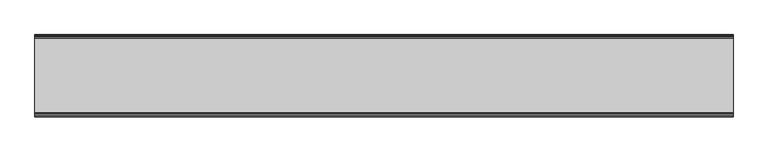
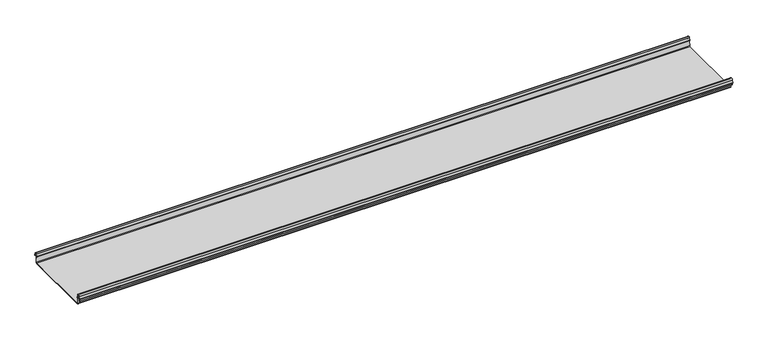
"""IFC4 building model written with IfcOpenShell, lengths in millimetres: beam geometry."""

from ifc_helpers import new_model, si_unit, frame, origin, place, context, project, spatial, polyline, circle_curve, source, transform, mapped, element, save
from ifc_brep_helpers import plane_surface, cylinder_surface, revolved_surface, advanced_brep


def beam_7e0957df(model_context):
    return source(origin(), model_context, "Body", "AdvancedBrep", [
        advanced_brep(
        [(1500.0, 174.5298471, 17.4730576), (1500.0, 169.9958217, 21.2486363), (1500.0, 165.4890072, 17.6093124), (1500.0, 163.0420077, 6.2503755), (1500.0, 164.7006671, 3.7959761), (1500.0, 165.8698319, 2.0849359), (1500.0, 164.3793103, -21.3247551), (1500.0, 160.6848586, -24.7896475), (1500.0, -159.5640942, -24.7896475), (1500.0, -163.2568715, -21.3207217), (1500.0, -164.7263748, 2.1632779), (1500.0, -164.0984471, 3.0966958), (1500.0, -161.8868093, 6.1624874), (1500.0, -162.770348, 17.3389905), (1500.0, -170.0, 24.0196704), (1500.0, -177.229652, 17.3389905), (1500.0, -178.1131907, 6.1624874), (1500.0, -175.9015529, 3.0966958), (1500.0, -175.2736252, 2.1632779), (1500.0, -175.6653397, -4.0966758), (1500.0, -174.6633838, -4.0966758), (1500.0, -174.255975, 2.4140875), (1500.0, -175.661391, 4.0675496), (1500.0, -177.1158116, 6.08368), (1500.0, -176.2261211, 17.3379999), (1500.0, -170.0, 23.0196704), (1500.0, -163.767144, 17.2589936), (1500.0, -162.8795452, 6.0037927), (1500.0, -164.338609, 4.0675496), (1500.0, -165.744025, 2.4140875), (1500.0, -164.2549195, -21.3831743), (1500.0, -159.5640942, -25.7896475), (1500.0, 160.6846135, -25.7896475), (1500.0, 165.3772895, -21.3882975), (1500.0, 166.868024, 2.0247376), (1500.0, 164.9644432, 4.7613501), (1500.0, 164.0277999, 6.0779003), (1500.0, 166.4434849, 17.2822335), (1500.0, 170.0063307, 20.2496221), (1500.0, 173.4803249, 17.6539317), (1500.0, 175.5075757, 6.5459412), (1500.0, 176.5074356, 6.7299959), (-1500.0, 174.5298471, 17.4730576), (-1500.0, 176.5074356, 6.7299959), (-1500.0, 175.5075757, 6.5459412), (-1500.0, 173.4803249, 17.6539317), (-1500.0, 170.0063307, 20.2496221), (-1500.0, 166.4434849, 17.2822335), (-1500.0, 164.0277999, 6.0779003), (-1500.0, 164.9644432, 4.7613501), (-1500.0, 166.868024, 2.0247376), (-1500.0, 165.3772895, -21.3882975), (-1500.0, 160.6846135, -25.7896475), (-1500.0, -159.5640942, -25.7896475), (-1500.0, -164.2549195, -21.3831743), (-1500.0, -165.744025, 2.4140875), (-1500.0, -164.338609, 4.0675496), (-1500.0, -162.8795452, 6.0037927), (-1500.0, -163.767144, 17.2589936), (-1500.0, -170.0, 23.0196704), (-1500.0, -176.2261211, 17.3379999), (-1500.0, -177.1158116, 6.08368), (-1500.0, -175.661391, 4.0675496), (-1500.0, -174.255975, 2.4140875), (-1500.0, -174.6633838, -4.0966758), (-1500.0, -175.6653397, -4.0966758), (-1500.0, -175.2736252, 2.1632779), (-1500.0, -175.9015529, 3.0966958), (-1500.0, -178.1066021, 6.2458324), (-1500.0, -177.229652, 17.3389905), (-1500.0, -170.0, 24.0196704), (-1500.0, -162.770348, 17.3389905), (-1500.0, -161.8868093, 6.1624874), (-1500.0, -164.0984471, 3.0966958), (-1500.0, -164.7263748, 2.1632779), (-1500.0, -163.2568715, -21.3207217), (-1500.0, -159.5640942, -24.7896475), (-1500.0, 160.6848586, -24.7896475), (-1500.0, 164.3793103, -21.3247551), (-1500.0, 165.8698319, 2.0849359), (-1500.0, 164.7006671, 3.7959761), (-1500.0, 163.0420077, 6.2503755), (-1500.0, 165.4890072, 17.6093124), (-1500.0, 169.9958217, 21.2486363)],
        [
            (0, 1, circle_curve(frame((1500.0, 169.9958217, 16.6384317), z_axis=(1.0, 0.0, 0.0), x_axis=(0.0, -1.0, 0.0)), 4.6102046)),
            (1, 2, circle_curve(frame((1500.0, 169.9958217, 16.6384317), z_axis=(1.0, 0.0, 0.0), x_axis=(0.0, -1.0, 0.0)), 4.6102046)),
            (2, 3),
            (3, 4, circle_curve(frame((1500.0, 165.4262002, 6.073937), z_axis=(1.0, 0.0, 0.0), x_axis=(0.0, -1.0, 0.0)), 2.3907121)),
            (4, 5, circle_curve(frame((1500.0, 164.1897695, 2.1919074), z_axis=(-1.0, 0.0, 0.0), x_axis=(0.0, -1.0, 0.0)), 1.6834645)),
            (5, 6),
            (6, 7, circle_curve(frame((1500.0, 160.6867875, -21.089648), z_axis=(-1.0, 0.0, 0.0), x_axis=(0.0, -1.0, 0.0)), 3.7)),
            (7, 8),
            (8, 9, circle_curve(frame((1500.0, -159.5640942, -21.0896475), z_axis=(-1.0, 0.0, 0.0), x_axis=(0.0, -1.0, 0.0)), 3.7)),
            (9, 10),
            (10, 11, circle_curve(frame((1500.0, -163.8044049, 2.2209698), z_axis=(-1.0, 0.0, 0.0), x_axis=(0.0, -1.0, 0.0)), 0.9237732)),
            (11, 12, circle_curve(frame((1500.0, -164.7984694, 5.9323112), z_axis=(1.0, 0.0, 0.0), x_axis=(0.0, -1.0, 0.0)), 2.9207441)),
            (12, 13),
            (13, 14, circle_curve(frame((1500.0, -170.0, 16.7674631), z_axis=(1.0, 0.0, 0.0), x_axis=(0.0, -1.0, 0.0)), 7.2522073)),
            (14, 15, circle_curve(frame((1500.0, -170.0, 16.7674631), z_axis=(1.0, 0.0, 0.0), x_axis=(0.0, -1.0, 0.0)), 7.2522073)),
            (15, 16),
            (16, 17, circle_curve(frame((1500.0, -175.2001089, 5.9344165), z_axis=(1.0, 0.0, 0.0), x_axis=(0.0, -1.0, 0.0)), 2.9231288)),
            (17, 18, circle_curve(frame((1500.0, -176.1025472, 2.2835649), z_axis=(-1.0, 0.0, 0.0), x_axis=(0.0, -1.0, 0.0)), 0.8376041)),
            (18, 19),
            (19, 20, circle_curve(frame((1500.0, -175.1643617, -4.0966758), z_axis=(1.0, 0.0, 0.0), x_axis=(0.0, -1.0, 0.0)), 0.5009779)),
            (20, 21),
            (21, 22, circle_curve(frame((1500.0, -176.1062911, 2.2653702), z_axis=(1.0, 0.0, 0.0), x_axis=(0.0, -1.0, 0.0)), 1.856283)),
            (22, 23, circle_curve(frame((1500.0, -175.2010412, 5.9323112), z_axis=(-1.0, 0.0, 0.0), x_axis=(0.0, -1.0, 0.0)), 1.9207441)),
            (23, 24),
            (24, 25, circle_curve(frame((1500.0, -170.0770494, 16.8518958), z_axis=(-1.0, 0.0, 0.0), x_axis=(0.0, -1.0, 0.0)), 6.1682558)),
            (25, 26, circle_curve(frame((1500.0, -170.0791743, 16.6817991), z_axis=(-1.0, 0.0, 0.0), x_axis=(0.0, -1.0, 0.0)), 6.3383658)),
            (26, 27),
            (27, 28, circle_curve(frame((1500.0, -164.70299, 5.8599936), z_axis=(-1.0, 0.0, 0.0), x_axis=(0.0, -1.0, 0.0)), 1.8291061)),
            (28, 29, circle_curve(frame((1500.0, -163.9886548, 2.3460727), z_axis=(1.0, 0.0, 0.0), x_axis=(0.0, -1.0, 0.0)), 1.7566874)),
            (29, 30),
            (30, 31, circle_curve(frame((1500.0, -159.5640942, -21.0896475), z_axis=(1.0, 0.0, 0.0), x_axis=(0.0, -1.0, 0.0)), 4.7)),
            (31, 32),
            (32, 33, circle_curve(frame((1500.0, 160.6846135, -21.0873301), z_axis=(1.0, 0.0, 0.0), x_axis=(0.0, -1.0, 0.0)), 4.7023174)),
            (33, 34),
            (34, 35, circle_curve(frame((1500.0, 164.1939121, 2.1950013), z_axis=(1.0, 0.0, 0.0), x_axis=(0.0, -1.0, 0.0)), 2.6795268)),
            (35, 36, circle_curve(frame((1500.0, 165.0972859, 5.8473161), z_axis=(-1.0, 0.0, 0.0), x_axis=(0.0, -1.0, 0.0)), 1.094061)),
            (36, 37),
            (37, 38, circle_curve(frame((1500.0, 170.0063307, 16.627032), z_axis=(-1.0, 0.0, 0.0), x_axis=(0.0, -1.0, 0.0)), 3.6225901)),
            (38, 39, circle_curve(frame((1500.0, 170.0063307, 16.627032), z_axis=(-1.0, 0.0, 0.0), x_axis=(0.0, -1.0, 0.0)), 3.6225901)),
            (39, 40),
            (40, 41, circle_curve(frame((1500.0, 176.0075057, 6.6379685), z_axis=(1.0, 0.0, 0.0), x_axis=(0.0, -1.0, 0.0)), 0.5083296)),
            (41, 0),
            (42, 43),
            (43, 44, circle_curve(frame((-1500.0, 176.0075057, 6.6379685), z_axis=(-1.0, 0.0, 0.0), x_axis=(0.0, -1.0, 0.0)), 0.5083296)),
            (44, 45),
            (45, 46, circle_curve(frame((-1500.0, 170.0063307, 16.627032), z_axis=(1.0, 0.0, 0.0), x_axis=(0.0, -1.0, 0.0)), 3.6225901)),
            (46, 47, circle_curve(frame((-1500.0, 170.0063307, 16.627032), z_axis=(1.0, 0.0, 0.0), x_axis=(0.0, -1.0, 0.0)), 3.6225901)),
            (47, 48),
            (48, 49, circle_curve(frame((-1500.0, 165.0972859, 5.8473161), z_axis=(1.0, 0.0, 0.0), x_axis=(0.0, -1.0, 0.0)), 1.094061)),
            (49, 50, circle_curve(frame((-1500.0, 164.1939121, 2.1950013), z_axis=(-1.0, 0.0, 0.0), x_axis=(0.0, -1.0, 0.0)), 2.6795268)),
            (50, 51),
            (51, 52, circle_curve(frame((-1500.0, 160.6846135, -21.0873301), z_axis=(-1.0, 0.0, 0.0), x_axis=(0.0, -1.0, 0.0)), 4.7023174)),
            (52, 53),
            (53, 54, circle_curve(frame((-1500.0, -159.5640942, -21.0896475), z_axis=(-1.0, 0.0, 0.0), x_axis=(0.0, -1.0, 0.0)), 4.7)),
            (54, 55),
            (55, 56, circle_curve(frame((-1500.0, -163.9886548, 2.3460727), z_axis=(-1.0, 0.0, 0.0), x_axis=(0.0, -1.0, 0.0)), 1.7566874)),
            (56, 57, circle_curve(frame((-1500.0, -164.70299, 5.8599936), z_axis=(1.0, 0.0, 0.0), x_axis=(0.0, -1.0, 0.0)), 1.8291061)),
            (57, 58),
            (58, 59, circle_curve(frame((-1500.0, -170.0791743, 16.6817991), z_axis=(1.0, 0.0, 0.0), x_axis=(0.0, -1.0, 0.0)), 6.3383658)),
            (59, 60, circle_curve(frame((-1500.0, -170.0770494, 16.8518958), z_axis=(1.0, 0.0, 0.0), x_axis=(0.0, -1.0, 0.0)), 6.1682558)),
            (60, 61),
            (61, 62, circle_curve(frame((-1500.0, -175.2010412, 5.9323112), z_axis=(1.0, 0.0, 0.0), x_axis=(0.0, -1.0, 0.0)), 1.9207441)),
            (62, 63, circle_curve(frame((-1500.0, -176.1062911, 2.2653702), z_axis=(-1.0, 0.0, 0.0), x_axis=(0.0, -1.0, 0.0)), 1.856283)),
            (63, 64),
            (64, 65, circle_curve(frame((-1500.0, -175.1643617, -4.0966758), z_axis=(-1.0, 0.0, 0.0), x_axis=(0.0, -1.0, 0.0)), 0.5009779)),
            (65, 66),
            (66, 67, circle_curve(frame((-1500.0, -176.1025472, 2.2835649), z_axis=(1.0, 0.0, 0.0), x_axis=(0.0, -1.0, 0.0)), 0.8376041)),
            (67, 68, circle_curve(frame((-1500.0, -175.2001089, 5.9344165), z_axis=(-1.0, 0.0, 0.0), x_axis=(0.0, -1.0, 0.0)), 2.9231288)),
            (68, 69),
            (69, 70, circle_curve(frame((-1500.0, -170.0, 16.7674631), z_axis=(-1.0, 0.0, 0.0), x_axis=(0.0, -1.0, 0.0)), 7.2522073)),
            (70, 71, circle_curve(frame((-1500.0, -170.0, 16.7674631), z_axis=(-1.0, 0.0, 0.0), x_axis=(0.0, -1.0, 0.0)), 7.2522073)),
            (71, 72),
            (72, 73, circle_curve(frame((-1500.0, -164.7984694, 5.9323112), z_axis=(-1.0, 0.0, 0.0), x_axis=(0.0, -1.0, 0.0)), 2.9207441)),
            (73, 74, circle_curve(frame((-1500.0, -163.8044049, 2.2209698), z_axis=(1.0, 0.0, 0.0), x_axis=(0.0, -1.0, 0.0)), 0.9237732)),
            (74, 75),
            (75, 76, circle_curve(frame((-1500.0, -159.5640942, -21.0896475), z_axis=(1.0, 0.0, 0.0), x_axis=(0.0, -1.0, 0.0)), 3.7)),
            (76, 77),
            (77, 78, circle_curve(frame((-1500.0, 160.6867875, -21.089648), z_axis=(1.0, 0.0, 0.0), x_axis=(0.0, -1.0, 0.0)), 3.7)),
            (78, 79),
            (79, 80, circle_curve(frame((-1500.0, 164.1897695, 2.1919074), z_axis=(1.0, 0.0, 0.0), x_axis=(0.0, -1.0, 0.0)), 1.6834645)),
            (80, 81, circle_curve(frame((-1500.0, 165.4262002, 6.073937), z_axis=(-1.0, 0.0, 0.0), x_axis=(0.0, -1.0, 0.0)), 2.3907121)),
            (81, 82),
            (82, 83, circle_curve(frame((-1500.0, 169.9958217, 16.6384317), z_axis=(-1.0, 0.0, 0.0), x_axis=(0.0, -1.0, 0.0)), 4.6102046)),
            (83, 42, circle_curve(frame((-1500.0, 169.9958217, 16.6384317), z_axis=(-1.0, 0.0, 0.0), x_axis=(0.0, -1.0, 0.0)), 4.6102046)),
            (42, 0),
            (41, 43),
            (40, 44),
            (39, 45),
            (38, 46),
            (37, 47),
            (36, 48),
            (35, 49),
            (34, 50),
            (33, 51),
            (32, 52),
            (31, 53),
            (30, 54),
            (29, 55),
            (28, 56),
            (27, 57),
            (26, 58),
            (25, 59),
            (24, 60),
            (23, 61),
            (22, 62),
            (21, 63),
            (20, 64),
            (19, 65),
            (18, 66),
            (17, 67),
            (16, 68),
            (15, 69),
            (14, 70),
            (13, 71),
            (12, 72),
            (11, 73),
            (10, 74),
            (9, 75),
            (8, 76),
            (7, 77),
            (6, 78),
            (5, 79),
            (4, 80),
            (3, 81),
            (2, 82),
            (1, 83),
        ],
        [
            plane_surface(frame((1500.0, 176.5074008, 6.7301852), z_axis=(1.0, 0.0, 0.0), x_axis=(0.0, -0.18103878268247056, 0.9834759575937021))),
            plane_surface(frame((-1500.0, 176.5074008, 6.7301852), z_axis=(-1.0, 0.0, 0.0), x_axis=(0.0, 0.18103878268247056, -0.9834759575937021))),
            plane_surface(frame((-1500.0, 174.5298471, 17.4730576), z_axis=(0.0, 0.9834759575937021, 0.18103878268247056), x_axis=(1.0, 0.0, 0.0))),
            cylinder_surface(frame((1500.0, 176.0075057, 6.6379685), z_axis=(-1.0, 0.0, 0.0), x_axis=(0.0, -1.0, 0.0)), 0.5083296),
            plane_surface(frame((-1500.0, 175.5075757, 6.5459412), z_axis=(0.0, -0.9837509798367423, -0.17953832368118405), x_axis=(1.0, 0.0, 0.0))),
            revolved_surface(polyline([(1500.0, 166.3837406, 16.627032), (-1500.0, 166.3837406, 16.627032)]), (1500.0, 170.0063307, 16.627032), (1.0, 0.0, 0.0)),
            plane_surface(frame((-1500.0, 166.4434849, 17.2822335), z_axis=(0.0, 0.9775378680635943, -0.21075985505233913), x_axis=(1.0, 0.0, 0.0))),
            revolved_surface(polyline([(1500.0, 164.0032249, 5.8473161), (-1500.0, 164.0032249, 5.8473161)]), (1500.0, 165.0972859, 5.8473161), (1.0, 0.0, 0.0)),
            cylinder_surface(frame((1500.0, 164.1939121, 2.1950013), z_axis=(-1.0, 0.0, 0.0), x_axis=(0.0, -1.0, 0.0)), 2.6795268),
            plane_surface(frame((-1500.0, 166.868024, 2.0247376), z_axis=(0.0, 0.9979791357337718, -0.06354246328302006), x_axis=(1.0, 0.0, 0.0))),
            cylinder_surface(frame((1500.0, 160.6846135, -21.0873301), z_axis=(-1.0, 0.0, 0.0), x_axis=(0.0, -1.0, 0.0)), 4.7023174),
            plane_surface(frame((-1500.0, 160.6846135, -25.7896475), z_axis=(0.0, 0.0, -1.0), x_axis=(1.0, 0.0, 0.0))),
            cylinder_surface(frame((1500.0, -159.5640942, -21.0896475), z_axis=(-1.0, 0.0, 0.0), x_axis=(0.0, -1.0, 0.0)), 4.7),
            plane_surface(frame((-1500.0, -164.2549195, -21.3831743), z_axis=(0.0, -0.9980479368039751, -0.062452508687231026), x_axis=(1.0, 0.0, 0.0))),
            cylinder_surface(frame((1500.0, -163.9886548, 2.3460727), z_axis=(-1.0, 0.0, 0.0), x_axis=(0.0, -1.0, 0.0)), 1.7566874),
            revolved_surface(polyline([(1500.0, -166.5320961, 5.8599936), (-1500.0, -166.5320961, 5.8599936)]), (1500.0, -164.70299, 5.8599936), (1.0, 0.0, 0.0)),
            plane_surface(frame((-1500.0, -162.8795452, 6.0037927), z_axis=(0.0, -0.9969048840808034, -0.07861712342638975), x_axis=(1.0, 0.0, 0.0))),
            revolved_surface(polyline([(1500.0, -176.4175401, 16.6817991), (-1500.0, -176.4175401, 16.6817991)]), (1500.0, -170.0791743, 16.6817991), (1.0, 0.0, 0.0)),
            revolved_surface(polyline([(1500.0, -176.2453052, 16.8518958), (-1500.0, -176.2453052, 16.8518958)]), (1500.0, -170.0770494, 16.8518958), (1.0, 0.0, 0.0)),
            plane_surface(frame((-1500.0, -176.2261211, 17.3379999), z_axis=(0.0, 0.9968898625471321, -0.07880737243913186), x_axis=(1.0, 0.0, 0.0))),
            revolved_surface(polyline([(1500.0, -177.1217853, 5.9323112), (-1500.0, -177.1217853, 5.9323112)]), (1500.0, -175.2010412, 5.9323112), (1.0, 0.0, 0.0)),
            cylinder_surface(frame((1500.0, -176.1062911, 2.2653702), z_axis=(-1.0, 0.0, 0.0), x_axis=(0.0, -1.0, 0.0)), 1.856283),
            plane_surface(frame((-1500.0, -174.255975, 2.4140875), z_axis=(0.0, 0.9980479368039783, -0.06245250868717961), x_axis=(1.0, 0.0, 0.0))),
            cylinder_surface(frame((1500.0, -175.1643617, -4.0966758), z_axis=(-1.0, 0.0, 0.0), x_axis=(0.0, -1.0, 0.0)), 0.5009779),
            plane_surface(frame((-1500.0, -175.6653397, -4.0966758), z_axis=(0.0, -0.9980479368039783, 0.06245250868717978), x_axis=(1.0, 0.0, 0.0))),
            revolved_surface(polyline([(1500.0, -176.9401513, 2.2835649), (-1500.0, -176.9401513, 2.2835649)]), (1500.0, -176.1025472, 2.2835649), (1.0, 0.0, 0.0)),
            cylinder_surface(frame((1500.0, -175.2001089, 5.9344165), z_axis=(-1.0, 0.0, 0.0), x_axis=(0.0, -1.0, 0.0)), 2.9231288),
            plane_surface(frame((-1500.0, -178.1131907, 6.1624874), z_axis=(0.0, -0.9968898625471323, 0.07880737243913023), x_axis=(1.0, 0.0, 0.0))),
            cylinder_surface(frame((1500.0, -170.0, 16.7674631), z_axis=(-1.0, 0.0, 0.0), x_axis=(0.0, -1.0, 0.0)), 7.2522073),
            plane_surface(frame((-1500.0, -162.770348, 17.3389905), z_axis=(0.0, 0.9968898625471294, 0.07880737243916726), x_axis=(1.0, 0.0, 0.0))),
            cylinder_surface(frame((1500.0, -164.7984694, 5.9323112), z_axis=(-1.0, 0.0, 0.0), x_axis=(0.0, -1.0, 0.0)), 2.9207441),
            revolved_surface(polyline([(1500.0, -164.7281781, 2.2209698), (-1500.0, -164.7281781, 2.2209698)]), (1500.0, -163.8044049, 2.2209698), (1.0, 0.0, 0.0)),
            plane_surface(frame((-1500.0, -164.7263748, 2.1632779), z_axis=(0.0, 0.9980479368039752, 0.06245250868722992), x_axis=(1.0, 0.0, 0.0))),
            revolved_surface(polyline([(1500.0, -163.2640942, -21.0896475), (-1500.0, -163.2640942, -21.0896475)]), (1500.0, -159.5640942, -21.0896475), (1.0, 0.0, 0.0)),
            plane_surface(frame((-1500.0, -159.5640942, -24.7896475), z_axis=(0.0, 0.0, 1.0), x_axis=(1.0, 0.0, 0.0))),
            revolved_surface(polyline([(1500.0, 156.98678750000002, -21.089648), (-1500.0, 156.98678750000002, -21.089648)]), (1500.0, 160.6867875, -21.089648), (1.0, 0.0, 0.0)),
            plane_surface(frame((-1500.0, 164.3793103, -21.3247551), z_axis=(0.0, -0.9979791357337718, 0.06354246328301984), x_axis=(1.0, 0.0, 0.0))),
            revolved_surface(polyline([(1500.0, 162.506305, 2.1919074), (-1500.0, 162.506305, 2.1919074)]), (1500.0, 164.1897695, 2.1919074), (1.0, 0.0, 0.0)),
            cylinder_surface(frame((1500.0, 165.4262002, 6.073937), z_axis=(-1.0, 0.0, 0.0), x_axis=(0.0, -1.0, 0.0)), 2.3907121),
            plane_surface(frame((-1500.0, 163.0420077, 6.2503755), z_axis=(0.0, -0.9775736456656248, 0.2105938444020135), x_axis=(1.0, 0.0, 0.0))),
            cylinder_surface(frame((1500.0, 169.9958217, 16.6384317), z_axis=(-1.0, 0.0, 0.0), x_axis=(0.0, -1.0, 0.0)), 4.6102046),
        ],
        [
            (0, [[1, 2, 3, 4, 5, 6, 7, 8, 9, 10, 11, 12, 13, 14, 15, 16, 17, 18, 19, 20, 21, 22, 23, 24, 25, 26, 27, 28, 29, 30, 31, 32, 33, 34, 35, 36, 37, 38, 39, 40, 41, 42]]),
            (1, [[43, 44, 45, 46, 47, 48, 49, 50, 51, 52, 53, 54, 55, 56, 57, 58, 59, 60, 61, 62, 63, 64, 65, 66, 67, 68, 69, 70, 71, 72, 73, 74, 75, 76, 77, 78, 79, 80, 81, 82, 83, 84]]),
            (2, [[-43, 85, -42, 86]]),
            (3, [[-44, -86, -41, 87]]),
            (4, [[-45, -87, -40, 88]]),
            (5, [[-46, -88, -39, 89]]),
            (5, [[-47, -89, -38, 90]]),
            (6, [[-48, -90, -37, 91]]),
            (7, [[-49, -91, -36, 92]]),
            (8, [[-50, -92, -35, 93]]),
            (9, [[-51, -93, -34, 94]]),
            (10, [[-52, -94, -33, 95]]),
            (11, [[-53, -95, -32, 96]]),
            (12, [[-54, -96, -31, 97]]),
            (13, [[-55, -97, -30, 98]]),
            (14, [[-56, -98, -29, 99]]),
            (15, [[-57, -99, -28, 100]]),
            (16, [[-58, -100, -27, 101]]),
            (17, [[-59, -101, -26, 102]]),
            (18, [[-60, -102, -25, 103]]),
            (19, [[-61, -103, -24, 104]]),
            (20, [[-62, -104, -23, 105]]),
            (21, [[-63, -105, -22, 106]]),
            (22, [[-64, -106, -21, 107]]),
            (23, [[-65, -107, -20, 108]]),
            (24, [[-66, -108, -19, 109]]),
            (25, [[-67, -109, -18, 110]]),
            (26, [[-68, -110, -17, 111]]),
            (27, [[-69, -111, -16, 112]]),
            (28, [[-70, -112, -15, 113]]),
            (28, [[-71, -113, -14, 114]]),
            (29, [[-72, -114, -13, 115]]),
            (30, [[-73, -115, -12, 116]]),
            (31, [[-74, -116, -11, 117]]),
            (32, [[-75, -117, -10, 118]]),
            (33, [[-76, -118, -9, 119]]),
            (34, [[-77, -119, -8, 120]]),
            (35, [[-78, -120, -7, 121]]),
            (36, [[-79, -121, -6, 122]]),
            (37, [[-80, -122, -5, 123]]),
            (38, [[-81, -123, -4, 124]]),
            (39, [[-82, -124, -3, 125]]),
            (40, [[-83, -125, -2, 126]]),
            (40, [[-84, -126, -1, -85]]),
        ],
    ),
    ])


if __name__ == "__main__":
    model = new_model("IFC4")
    model_context = context("Model", 3, world=origin())
    ifc_project = project(units=[si_unit("LENGTHUNIT", "METRE", prefix="MILLI")], contexts=[model_context])
    site = spatial("IfcSite", under=ifc_project)
    building = spatial("IfcBuilding", under=site)
    placement = place(None, origin())
    beam_shape = beam_7e0957df(model_context)
    element("IfcBeam", 1, at=placement, inside=building, context=model_context, shape_type="MappedRepresentation", body=[
        mapped(beam_shape, transform((0.0, 0.0, 0.0), x_axis=(1.0, 0.0, 0.0), y_axis=(0.0, 1.0, 0.0), z_axis=(0.0, 0.0, 1.0))),
    ])
    save(model, "model.ifc")
